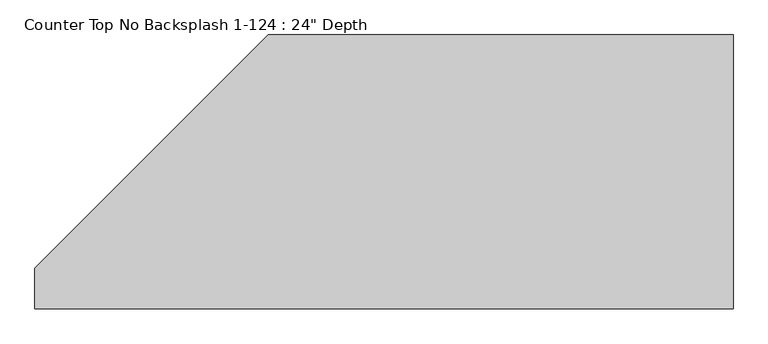
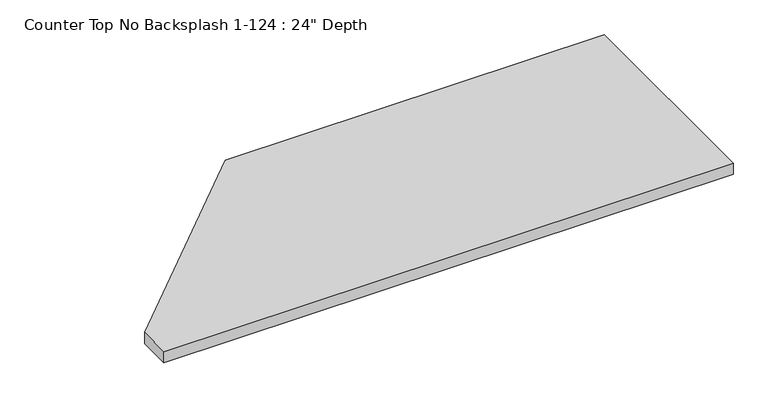
"""IFC4 building model written with IfcOpenShell, lengths in millimetres: furniture geometry."""

from ifc_helpers import new_model, si_unit, frame, origin, place, context, project, spatial, polyline, outline, extrude, source, transform, mapped, element, save


def furniture_0e0e4e2c(model_context):
    return source(origin(), model_context, "Body", "SweptSolid", [
        extrude(outline(polyline([(-2418.4716701, -44.45), (-1200.4622951, -44.45), (-1200.4622951, -762.0), (-3029.2622951, -762.0), (-3029.2622951, -655.240625), (-2418.4716701, -44.45)])), frame((0.0, 0.0, 876.3), z_axis=(0.0, 0.0, 1.0), x_axis=(1.0, 0.0, 0.0)), (0.0, 0.0, 1.0), 38.1),
    ])


if __name__ == "__main__":
    model = new_model("IFC4")
    model_context = context("Model", 3, world=origin())
    ifc_project = project(units=[si_unit("LENGTHUNIT", "METRE", prefix="MILLI")], contexts=[model_context])
    site = spatial("IfcSite", under=ifc_project)
    building = spatial("IfcBuilding", under=site)
    placement = place(None, origin())
    furniture_shape = furniture_0e0e4e2c(model_context)
    element("IfcFurniture", 1, ObjectType="Counter Top No Backsplash 1-124 : 24\" Depth", at=placement, inside=building, context=model_context, shape_type="MappedRepresentation", body=[
        mapped(furniture_shape, transform((0.0, 0.0, 0.0), x_axis=(1.0, 0.0, 0.0), y_axis=(0.0, 1.0, 0.0), z_axis=(0.0, 0.0, 1.0))),
    ])
    save(model, "model.ifc")
